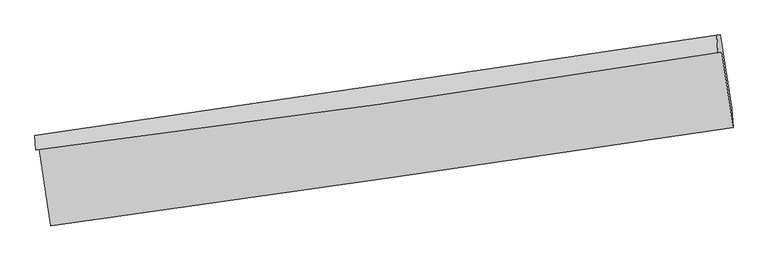
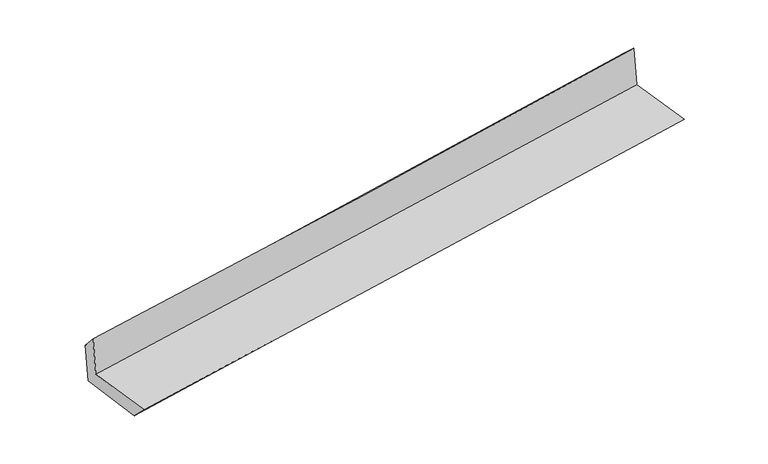
"""IFC4 building model written with IfcOpenShell, lengths in millimetres: proxy geometry."""

from ifc_helpers import new_model, si_unit, frame, origin, place, context, project, spatial, source, transform, mapped, element, save
from ifc_brep_helpers import plane_surface, spline_curve, spline_surface, advanced_brep


def generic_models_a2c94c64(model_context):
    return source(origin(), model_context, "Body", "AdvancedBrep", [
        advanced_brep(
        [(-3000.0458561, -1919.7633907, 1655.5789793), (-2899.5462943, -2590.0347154, 1645.7443554), (3048.2109075, -1731.880708, 2145.0945943), (2949.8924071, -1072.343972, 2148.0302737), (-3032.1156278, -1930.3957905, 2052.5026215), (2916.5129361, -1080.7942132, 2556.5750124), (-3039.0847383, -1800.837473, 1907.4721565), (2906.0093975, -928.1831328, 2412.8019879), (-3006.4662351, -1796.8812635, 1515.7854605), (2937.4964578, -923.3258796, 2032.8807471), (-2909.4301426, -2437.9551323, 1495.5940434), (3035.7334602, -1564.3884997, 1998.5044042)],
        [
            (0, 1),
            (1, 2, spline_curve(3, [(-2899.5462943, -2590.0347154, 1645.7443554), (-1907.722689154, -2451.914950774, 1731.126079827), (-916.156726898, -2311.341080908, 1815.430093891), (1066.428990866, -2025.289592268, 1981.880106603), (2057.448762652, -1879.81212626, 2064.026171851), (3048.2109075, -1731.880708, 2145.0945943)], [4, 2, 4], [0.0, 9.892105060134694, 19.783901576276786])),
            (2, 3),
            (3, 0, spline_curve(3, [(2949.8924071, -1072.343972, 2148.0302737), (1959.028811328, -1221.504649088, 2070.314517412), (967.776563607, -1366.702233032, 1990.419705341), (-1015.536166378, -1649.175619742, 1826.269409619), (-2007.596673241, -1786.451175614, 1742.013790193), (-3000.0458561, -1919.7633907, 1655.5789793)], [4, 2, 4], [0.0, 9.891796516142092, 19.783901576276786])),
            (4, 0),
            (3, 5),
            (5, 4, spline_curve(3, [(2916.5129361, -1080.7942132, 2556.5750124), (1927.806411657, -1240.877268179, 2472.572651268), (937.741854401, -1391.717967147, 2388.566093505), (-1045.134248562, -1674.919069776, 2220.541963439), (-2037.945879816, -1807.278896473, 2136.524391026), (-3032.1156278, -1930.3957905, 2052.5026215)], [4, 2, 4], [0.0, 9.891978214113115, 19.784264977886338])),
            (6, 4),
            (5, 7),
            (7, 6, spline_curve(3, [(2906.0093975, -928.1831328, 2412.8019879), (1915.33015611, -1075.127621595, 2329.024702443), (924.573751739, -1221.319938702, 2245.025900822), (-1057.124288727, -1512.204765654, 2076.582637386), (-2048.065929793, -1656.897228589, 1992.138162147), (-3039.0847383, -1800.837473, 1907.4721565)], [4, 2, 4], [0.0, 9.891773796390146, 19.783856136064223])),
            (8, 6),
            (7, 9),
            (9, 8, spline_curve(3, [(2937.4964578, -923.3258796, 2032.8807471), (1946.795209148, -1071.045774477, 1950.723040469), (956.122084877, -1217.700884942, 1866.553616418), (-1025.198814583, -1508.886079498, 1694.188646628), (-2015.846588026, -1653.416096852, 1605.992974784), (-3006.4662351, -1796.8812635, 1515.7854605)], [4, 2, 4], [0.0, 9.891610951519278, 19.783530441243045])),
            (10, 8),
            (9, 11),
            (11, 10, spline_curve(3, [(3035.7334602, -1564.3884997, 1998.5044042), (2045.275211054, -1713.435502851, 1915.808051937), (1054.623515998, -1860.755115075, 1832.551341632), (-927.097672747, -2151.944100624, 1664.914589354), (-1918.167178733, -2295.813365485, 1580.534512995), (-2909.4301426, -2437.9551323, 1495.5940434)], [4, 2, 4], [0.0, 9.891614887689336, 19.783538313705936])),
            (1, 10),
            (11, 2),
        ],
        [
            spline_surface(3, 3, [[(-3000.0458561, -1919.7633907, 1655.5789793), (-2007.596673242, -1786.451175493, 1742.01379031), (-1015.536166457, -1649.175619781, 1826.269409718), (967.776563687, -1366.702232992, 1990.419705241), (1959.028811322, -1221.504649108, 2070.314517308), (2949.8924071, -1072.343972, 2148.0302737)], [(-2966.546002156, -2143.187165608, 1652.300771337), (-1974.305345153, -2008.272433955, 1738.384553454), (-982.409686599, -1869.897440195, 1822.656304478), (1000.660706111, -1586.231352711, 1987.573172297), (1991.835461819, -1440.940474796, 2068.218402139), (2982.665240568, -1292.189550673, 2147.051713912)], [(-2933.046148244, -2366.610940492, 1649.022563363), (-1941.014017095, -2230.093692393, 1734.755316587), (-949.283206795, -2090.619260611, 1819.043199282), (1033.544848481, -1805.760472431, 1984.726639396), (2024.642112312, -1660.376300465, 2066.122286934), (3015.438074032, -1512.035129327, 2146.073154088)], [(-2899.5462943, -2590.0347154, 1645.7443554), (-1907.722689007, -2451.914950855, 1731.126079731), (-916.156726937, -2311.341081026, 1815.430094042), (1066.428990905, -2025.28959215, 1981.880106451), (2057.448762808, -1879.812126152, 2064.026171765), (3048.2109075, -1731.880708, 2145.0945943)]], [4, 4], [4, 2, 4], [0.0, 2.191038914026337], [0.0, 9.892105060134694, 19.783901576276786]),
            spline_surface(3, 3, [[(-3032.1156278, -1930.3957905, 2052.5026215), (-2037.945879709, -1807.278896426, 2136.524391044), (-1045.134248697, -1674.91906964, 2220.541963451), (937.741854536, -1391.717967283, 2388.566093493), (1927.806411517, -1240.877268318, 2472.572651378), (2916.5129361, -1080.7942132, 2556.5750124)], [(-3021.425703906, -1926.851657215, 1920.19474078), (-2027.82947756, -1800.336322764, 2005.02085748), (-1035.268221277, -1666.337919698, 2089.117778887), (947.75342426, -1383.379389197, 2255.850630756), (1938.213878115, -1234.419728586, 2338.486606694), (2927.639426429, -1077.977466138, 2420.393432839)], [(-3010.735779994, -1923.307523985, 1787.88686002), (-2017.713075391, -1793.393749156, 1873.517323875), (-1025.402193877, -1657.756769722, 1957.693594283), (957.764993963, -1375.040811078, 2123.135167979), (1948.621344725, -1227.96218884, 2204.400561992), (2938.765916771, -1075.160719062, 2284.211853261)], [(-3000.0458561, -1919.7633907, 1655.5789793), (-2007.596673242, -1786.451175493, 1742.01379031), (-1015.536166457, -1649.175619781, 1826.269409718), (967.776563687, -1366.702232992, 1990.419705241), (1959.028811322, -1221.504649108, 2070.314517308), (2949.8924071, -1072.343972, 2148.0302737)]], [4, 4], [4, 2, 4], [0.0, 1.306231860016913], [0.0, 9.892286763773223, 19.784264977886338]),
            spline_surface(3, 3, [[(-3039.0847383, -1800.837473, 1907.4721565), (-2048.065929635, -1656.897228732, 1992.138162079), (-1057.124288719, -1512.204765669, 2076.582637453), (924.573751731, -1221.319938686, 2245.025900755), (1915.330156089, -1075.127621668, 2329.024702539), (2906.0093975, -928.1831328, 2412.8019879)], [(-3036.76170145, -1844.023578848, 1955.815644818), (-2044.692579643, -1707.024451312, 2040.266905052), (-1053.127608726, -1566.442866986, 2124.569079437), (928.963119318, -1278.119281545, 2292.872631652), (1919.488907905, -1130.377503884, 2376.87401882), (2909.510577041, -979.053492933, 2460.726329401)], [(-3034.43866465, -1887.209684652, 2004.159133182), (-2041.319229701, -1757.151673847, 2088.395648071), (-1049.13092869, -1620.680968323, 2172.555521468), (933.352486949, -1334.918624424, 2340.719362596), (1923.6476597, -1185.627386102, 2424.723335098), (2913.011756559, -1029.923853067, 2508.650670899)], [(-3032.1156278, -1930.3957905, 2052.5026215), (-2037.945879709, -1807.278896426, 2136.524391044), (-1045.134248697, -1674.91906964, 2220.541963451), (937.741854536, -1391.717967283, 2388.566093493), (1927.806411517, -1240.877268318, 2472.572651378), (2916.5129361, -1080.7942132, 2556.5750124)]], [4, 4], [4, 2, 4], [0.0, 0.7230002319715378], [0.0, 9.892082339674078, 19.783856136064223]),
            spline_surface(3, 3, [[(-3006.4662351, -1796.8812635, 1515.7854605), (-2015.846587994, -1653.416096721, 1605.992974822), (-1025.198814546, -1508.88607943, 1694.188646503), (956.12208484, -1217.70088501, 1866.553616543), (1946.795209029, -1071.045774388, 1950.72304038), (2937.4964578, -923.3258796, 2032.8807471)], [(-3017.339069511, -1798.19999998, 1646.347692517), (-2026.586368551, -1654.576474039, 1734.708037257), (-1035.840639265, -1509.992308176, 1821.653310157), (945.605973809, -1218.907236235, 1992.711044617), (1936.306858036, -1072.406390163, 2076.82359443), (2927.000771021, -924.944964015, 2159.521160697)], [(-3028.211903889, -1799.51873652, 1776.909924483), (-2037.326149077, -1655.736851415, 1863.423099644), (-1046.482464, -1511.098536923, 1949.117973799), (935.089862762, -1220.113587461, 2118.868472681), (1925.818507082, -1073.767005893, 2202.92414849), (2916.505084279, -926.564048385, 2286.161574303)], [(-3039.0847383, -1800.837473, 1907.4721565), (-2048.065929635, -1656.897228732, 1992.138162079), (-1057.124288719, -1512.204765669, 2076.582637453), (924.573751731, -1221.319938686, 2245.025900755), (1915.330156089, -1075.127621668, 2329.024702539), (2906.0093975, -928.1831328, 2412.8019879)]], [4, 4], [4, 2, 4], [0.0, 1.2525277517700881], [0.0, 9.891919489723767, 19.783530441243045]),
            spline_surface(3, 3, [[(-2909.4301426, -2437.9551323, 1495.5940434), (-1918.16717863, -2295.81336553, 1580.534513075), (-927.097672809, -2151.944100499, 1664.914589501), (1054.62351606, -1860.7551152, 1832.551341485), (2045.275211165, -1713.435502704, 1915.808051975), (3035.7334602, -1564.3884997, 1998.5044042)], [(-2941.775506774, -2224.263842708, 1502.324515771), (-1950.726981758, -2081.680942602, 1589.020666995), (-959.798053392, -1937.591426813, 1674.672608511), (1021.78970565, -1646.403705141, 1843.885433181), (2012.448543774, -1499.305593249, 1927.446381446), (3002.987792721, -1350.70095965, 2009.963185169)], [(-2974.120870926, -2010.572553092, 1509.054988129), (-1983.286784865, -1867.54851965, 1597.506820902), (-992.498433964, -1723.238753115, 1684.430627492), (988.95589525, -1432.052295069, 1855.219524847), (1979.62187642, -1285.175683843, 1939.084710909), (2970.242125279, -1137.01341965, 2021.421966131)], [(-3006.4662351, -1796.8812635, 1515.7854605), (-2015.846587994, -1653.416096721, 1605.992974822), (-1025.198814546, -1508.88607943, 1694.188646503), (956.12208484, -1217.70088501, 1866.553616543), (1946.795209029, -1071.045774388, 1950.72304038), (2937.4964578, -923.3258796, 2032.8807471)]], [4, 4], [4, 2, 4], [0.0, 2.136794907380438], [0.0, 9.8919234260166, 19.783538313705936]),
            spline_surface(3, 3, [[(-2899.5462943, -2590.0347154, 1645.7443554), (-1907.722689007, -2451.914950855, 1731.126079731), (-916.156726937, -2311.341081026, 1815.430094042), (1066.428990905, -2025.28959215, 1981.880106451), (2057.448762808, -1879.812126152, 2064.026171765), (3048.2109075, -1731.880708, 2145.0945943)], [(-2902.840910403, -2539.341521041, 1595.694251377), (-1911.20418555, -2399.881089087, 1680.928890823), (-919.803708906, -2258.208754176, 1765.258259199), (1062.493832611, -1970.444766492, 1932.103851466), (2053.390912281, -1824.353251661, 2014.620131817), (3044.051758421, -1676.049971891, 2096.231197582)], [(-2906.135526497, -2488.648326659, 1545.644147423), (-1914.685682086, -2347.847227298, 1630.731701983), (-923.45069084, -2205.07642735, 1715.086424344), (1058.558674353, -1915.599940858, 1882.32759647), (2049.333061691, -1768.894377196, 1965.214091923), (3039.892609279, -1620.219235809, 2047.367800918)], [(-2909.4301426, -2437.9551323, 1495.5940434), (-1918.16717863, -2295.81336553, 1580.534513075), (-927.097672809, -2151.944100499, 1664.914589501), (1054.62351606, -1860.7551152, 1832.551341485), (2045.275211165, -1713.435502704, 1915.808051975), (3035.7334602, -1564.3884997, 1998.5044042)]], [4, 4], [4, 2, 4], [0.0, 0.7250498283813881], [0.0, 9.891961769004492, 19.783614998485767]),
            plane_surface(frame((2965.6425944, -1216.8194009, 2215.6478366), z_axis=(0.985665429704386, 0.14656322478555564, 0.08356363937818352), x_axis=(-0.0825879838367858, -0.012740177968381951, 0.9965023395813524))),
            plane_surface(frame((-2981.1148157, -2079.3112942, 1712.1129361), z_axis=(-0.985665429704394, -0.14656322478550343, -0.08356363937818104), x_axis=(-0.14826548529375586, 0.9888411593893541, 0.014508872048686821))),
        ],
        [
            (0, [[1, 2, 3, 4]]),
            (1, [[5, -4, 6, 7]]),
            (2, [[8, -7, 9, 10]]),
            (3, [[11, -10, 12, 13]]),
            (4, [[14, -13, 15, 16]]),
            (5, [[17, -16, 18, -2]]),
            (6, [[-12, -9, -6, -3, -18, -15]]),
            (7, [[-1, -5, -8, -11, -14, -17]]),
        ],
    ),
    ])


if __name__ == "__main__":
    model = new_model("IFC4")
    model_context = context("Model", 3, world=origin())
    ifc_project = project(units=[si_unit("LENGTHUNIT", "METRE", prefix="MILLI")], contexts=[model_context])
    site = spatial("IfcSite", under=ifc_project)
    building = spatial("IfcBuilding", under=site)
    placement = place(None, origin())
    generic_models_shape = generic_models_a2c94c64(model_context)
    element("IfcBuildingElementProxy", 1, Name="Generic Models", at=placement, inside=building, context=model_context, shape_type="MappedRepresentation", body=[
        mapped(generic_models_shape, transform((0.0, 0.0, 0.0), x_axis=(1.0, 0.0, 0.0), y_axis=(0.0, 1.0, 0.0), z_axis=(0.0, 0.0, 1.0))),
    ])
    save(model, "model.ifc")
